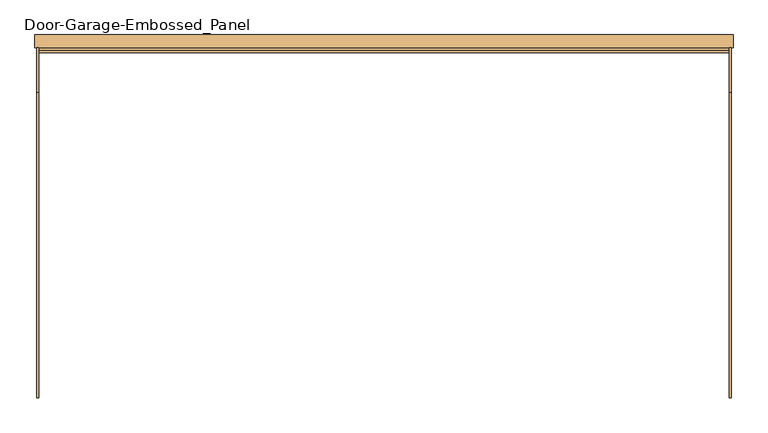
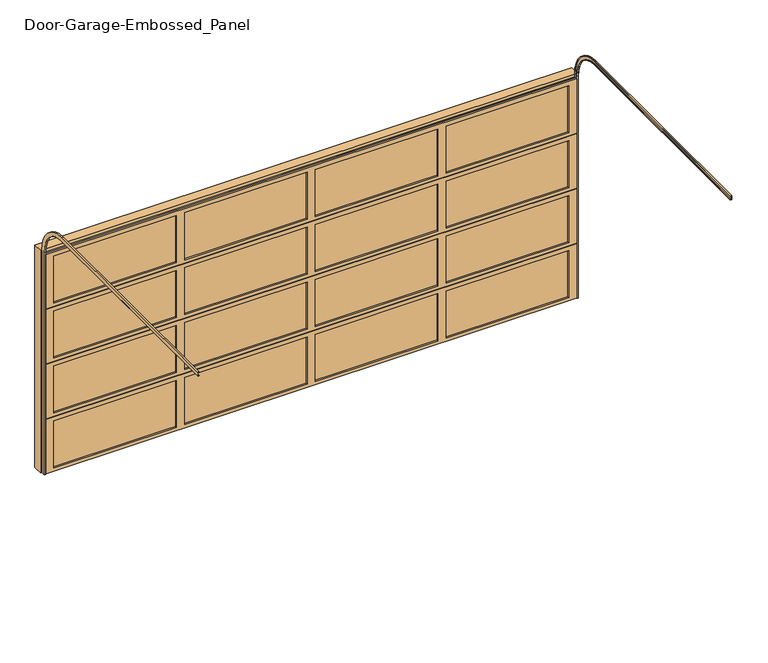
"""IFC4 building model written with IfcOpenShell, lengths in millimetres: door geometry, Door-Garage-Embossed_Panel."""

from ifc_helpers import new_model, si_unit, frame, origin, place, context, project, spatial, polyline, circle_curve, outline, extrude, faceted_brep, source, transform, mapped, element, save
from ifc_brep_helpers import plane_surface, cylinder_surface, revolved_surface, advanced_brep


def door_garage_embossed_panel_2cec025c(model_context):
    return source(origin(), model_context, "Body", "SolidModel", [
        extrude(outline(polyline([(1162.05, -63.5), (1162.05, -69.85), (38.1, -69.85), (38.1, -63.5), (1162.05, -63.5)])), frame((0.0, 0.0, 1638.3), z_axis=(0.0, 0.0, 1.0), x_axis=(1.0, 0.0, 0.0)), (0.0, 0.0, 1.0), 457.2),
        extrude(outline(polyline([(-38.1, -63.5), (-38.1, -69.85), (-1162.05, -69.85), (-1162.05, -63.5), (-38.1, -63.5)])), frame((0.0, 0.0, 1638.3), z_axis=(0.0, 0.0, 1.0), x_axis=(1.0, 0.0, 0.0)), (0.0, 0.0, 1.0), 457.2),
        extrude(outline(polyline([(2362.2, -63.5), (2362.2, -69.85), (1238.25, -69.85), (1238.25, -63.5), (2362.2, -63.5)])), frame((0.0, 0.0, 1638.3), z_axis=(0.0, 0.0, 1.0), x_axis=(1.0, 0.0, 0.0)), (0.0, 0.0, 1.0), 457.2),
        extrude(outline(polyline([(-1238.25, -63.5), (-1238.25, -69.85), (-2362.2, -69.85), (-2362.2, -63.5), (-1238.25, -63.5)])), frame((0.0, 0.0, 1638.3), z_axis=(0.0, 0.0, 1.0), x_axis=(1.0, 0.0, 0.0)), (0.0, 0.0, 1.0), 457.2),
        faceted_brep([(2438.4, -69.85, 2136.775), (2438.4, -85.725, 2136.775), (2438.4, -85.725, 1606.55), (2438.4, -63.5, 1606.55), (2438.4, -63.5, 1600.2), (2438.4, -47.625, 1600.2), (2438.4, -47.625, 2130.425), (2438.4, -69.85, 2130.425), (-2438.4, -85.725, 2136.775), (-2438.4, -69.85, 2136.775), (-2438.4, -69.85, 2130.425), (-2438.4, -47.625, 2130.425), (-2438.4, -47.625, 1600.2), (-2438.4, -63.5, 1600.2), (-2438.4, -63.5, 1606.55), (-2438.4, -85.725, 1606.55), (1238.25, -85.725, 2095.5), (2362.2, -85.725, 2095.5), (2362.2, -85.725, 1638.3), (1238.25, -85.725, 1638.3), (-1162.05, -85.725, 2095.5), (-38.1, -85.725, 2095.5), (-38.1, -85.725, 1638.3), (-1162.05, -85.725, 1638.3), (38.1, -85.725, 2095.5), (1162.05, -85.725, 2095.5), (1162.05, -85.725, 1638.3), (38.1, -85.725, 1638.3), (-2362.2, -85.725, 2095.5), (-1238.25, -85.725, 2095.5), (-1238.25, -85.725, 1638.3), (-2362.2, -85.725, 1638.3), (2362.2, -47.625, 2095.5), (1238.25, -47.625, 2095.5), (1238.25, -47.625, 1638.3), (2362.2, -47.625, 1638.3), (-38.1, -47.625, 2095.5), (-1162.05, -47.625, 2095.5), (-1162.05, -47.625, 1638.3), (-38.1, -47.625, 1638.3), (1162.05, -47.625, 2095.5), (38.1, -47.625, 2095.5), (38.1, -47.625, 1638.3), (1162.05, -47.625, 1638.3), (-1238.25, -47.625, 2095.5), (-2362.2, -47.625, 2095.5), (-2362.2, -47.625, 1638.3), (-1238.25, -47.625, 1638.3)], [[[0, 1, 2, 3, 4, 5, 6, 7]], [[8, 9, 10, 11, 12, 13, 14, 15]], [[1, 0, 9, 8]], [[2, 1, 8, 15], [16, 17, 18, 19], [20, 21, 22, 23], [24, 25, 26, 27], [28, 29, 30, 31]], [[3, 2, 15, 14]], [[4, 3, 14, 13]], [[5, 4, 13, 12]], [[6, 5, 12, 11], [32, 33, 34, 35], [36, 37, 38, 39], [40, 41, 42, 43], [44, 45, 46, 47]], [[7, 6, 11, 10]], [[0, 7, 10, 9]], [[16, 33, 32, 17]], [[33, 16, 19, 34]], [[34, 19, 18, 35]], [[17, 32, 35, 18]], [[20, 37, 36, 21]], [[37, 20, 23, 38]], [[38, 23, 22, 39]], [[21, 36, 39, 22]], [[24, 41, 40, 25]], [[41, 24, 27, 42]], [[42, 27, 26, 43]], [[25, 40, 43, 26]], [[28, 45, 44, 29]], [[45, 28, 31, 46]], [[46, 31, 30, 47]], [[29, 44, 47, 30]]]),
        extrude(outline(polyline([(1162.05, -63.5), (1162.05, -69.85), (38.1, -69.85), (38.1, -63.5), (1162.05, -63.5)])), frame((0.0, 0.0, 1104.9), z_axis=(0.0, 0.0, 1.0), x_axis=(1.0, 0.0, 0.0)), (0.0, 0.0, 1.0), 457.2),
        extrude(outline(polyline([(-38.1, -63.5), (-38.1, -69.85), (-1162.05, -69.85), (-1162.05, -63.5), (-38.1, -63.5)])), frame((0.0, 0.0, 1104.9), z_axis=(0.0, 0.0, 1.0), x_axis=(1.0, 0.0, 0.0)), (0.0, 0.0, 1.0), 457.2),
        extrude(outline(polyline([(2362.2, -63.5), (2362.2, -69.85), (1238.25, -69.85), (1238.25, -63.5), (2362.2, -63.5)])), frame((0.0, 0.0, 1104.9), z_axis=(0.0, 0.0, 1.0), x_axis=(1.0, 0.0, 0.0)), (0.0, 0.0, 1.0), 457.2),
        extrude(outline(polyline([(-1238.25, -63.5), (-1238.25, -69.85), (-2362.2, -69.85), (-2362.2, -63.5), (-1238.25, -63.5)])), frame((0.0, 0.0, 1104.9), z_axis=(0.0, 0.0, 1.0), x_axis=(1.0, 0.0, 0.0)), (0.0, 0.0, 1.0), 457.2),
        faceted_brep([(2438.4, -69.85, 1603.375), (2438.4, -85.725, 1603.375), (2438.4, -85.725, 1073.15), (2438.4, -63.5, 1073.15), (2438.4, -63.5, 1066.8), (2438.4, -47.625, 1066.8), (2438.4, -47.625, 1597.025), (2438.4, -69.85, 1597.025), (-2438.4, -85.725, 1603.375), (-2438.4, -69.85, 1603.375), (-2438.4, -69.85, 1597.025), (-2438.4, -47.625, 1597.025), (-2438.4, -47.625, 1066.8), (-2438.4, -63.5, 1066.8), (-2438.4, -63.5, 1073.15), (-2438.4, -85.725, 1073.15), (1238.25, -85.725, 1562.1), (2362.2, -85.725, 1562.1), (2362.2, -85.725, 1104.9), (1238.25, -85.725, 1104.9), (-1162.05, -85.725, 1562.1), (-38.1, -85.725, 1562.1), (-38.1, -85.725, 1104.9), (-1162.05, -85.725, 1104.9), (38.1, -85.725, 1562.1), (1162.05, -85.725, 1562.1), (1162.05, -85.725, 1104.9), (38.1, -85.725, 1104.9), (-2362.2, -85.725, 1562.1), (-1238.25, -85.725, 1562.1), (-1238.25, -85.725, 1104.9), (-2362.2, -85.725, 1104.9), (2362.2, -47.625, 1562.1), (1238.25, -47.625, 1562.1), (1238.25, -47.625, 1104.9), (2362.2, -47.625, 1104.9), (-38.1, -47.625, 1562.1), (-1162.05, -47.625, 1562.1), (-1162.05, -47.625, 1104.9), (-38.1, -47.625, 1104.9), (1162.05, -47.625, 1562.1), (38.1, -47.625, 1562.1), (38.1, -47.625, 1104.9), (1162.05, -47.625, 1104.9), (-1238.25, -47.625, 1562.1), (-2362.2, -47.625, 1562.1), (-2362.2, -47.625, 1104.9), (-1238.25, -47.625, 1104.9)], [[[0, 1, 2, 3, 4, 5, 6, 7]], [[8, 9, 10, 11, 12, 13, 14, 15]], [[1, 0, 9, 8]], [[2, 1, 8, 15], [16, 17, 18, 19], [20, 21, 22, 23], [24, 25, 26, 27], [28, 29, 30, 31]], [[3, 2, 15, 14]], [[4, 3, 14, 13]], [[5, 4, 13, 12]], [[6, 5, 12, 11], [32, 33, 34, 35], [36, 37, 38, 39], [40, 41, 42, 43], [44, 45, 46, 47]], [[7, 6, 11, 10]], [[0, 7, 10, 9]], [[16, 33, 32, 17]], [[33, 16, 19, 34]], [[34, 19, 18, 35]], [[17, 32, 35, 18]], [[20, 37, 36, 21]], [[37, 20, 23, 38]], [[38, 23, 22, 39]], [[21, 36, 39, 22]], [[24, 41, 40, 25]], [[41, 24, 27, 42]], [[42, 27, 26, 43]], [[25, 40, 43, 26]], [[28, 45, 44, 29]], [[45, 28, 31, 46]], [[46, 31, 30, 47]], [[29, 44, 47, 30]]]),
        extrude(outline(polyline([(1162.05, -63.5), (1162.05, -69.85), (38.1, -69.85), (38.1, -63.5), (1162.05, -63.5)])), frame((0.0, 0.0, 571.5), z_axis=(0.0, 0.0, 1.0), x_axis=(1.0, 0.0, 0.0)), (0.0, 0.0, 1.0), 457.2),
        extrude(outline(polyline([(-38.1, -63.5), (-38.1, -69.85), (-1162.05, -69.85), (-1162.05, -63.5), (-38.1, -63.5)])), frame((0.0, 0.0, 571.5), z_axis=(0.0, 0.0, 1.0), x_axis=(1.0, 0.0, 0.0)), (0.0, 0.0, 1.0), 457.2),
        extrude(outline(polyline([(2362.2, -63.5), (2362.2, -69.85), (1238.25, -69.85), (1238.25, -63.5), (2362.2, -63.5)])), frame((0.0, 0.0, 571.5), z_axis=(0.0, 0.0, 1.0), x_axis=(1.0, 0.0, 0.0)), (0.0, 0.0, 1.0), 457.2),
        extrude(outline(polyline([(-1238.25, -63.5), (-1238.25, -69.85), (-2362.2, -69.85), (-2362.2, -63.5), (-1238.25, -63.5)])), frame((0.0, 0.0, 571.5), z_axis=(0.0, 0.0, 1.0), x_axis=(1.0, 0.0, 0.0)), (0.0, 0.0, 1.0), 457.2),
        faceted_brep([(2438.4, -69.85, 1069.975), (2438.4, -85.725, 1069.975), (2438.4, -85.725, 539.75), (2438.4, -63.5, 539.75), (2438.4, -63.5, 533.4), (2438.4, -47.625, 533.4), (2438.4, -47.625, 1063.625), (2438.4, -69.85, 1063.625), (-2438.4, -85.725, 1069.975), (-2438.4, -69.85, 1069.975), (-2438.4, -69.85, 1063.625), (-2438.4, -47.625, 1063.625), (-2438.4, -47.625, 533.4), (-2438.4, -63.5, 533.4), (-2438.4, -63.5, 539.75), (-2438.4, -85.725, 539.75), (1238.25, -85.725, 1028.7), (2362.2, -85.725, 1028.7), (2362.2, -85.725, 571.5), (1238.25, -85.725, 571.5), (-1162.05, -85.725, 1028.7), (-38.1, -85.725, 1028.7), (-38.1, -85.725, 571.5), (-1162.05, -85.725, 571.5), (38.1, -85.725, 1028.7), (1162.05, -85.725, 1028.7), (1162.05, -85.725, 571.5), (38.1, -85.725, 571.5), (-2362.2, -85.725, 1028.7), (-1238.25, -85.725, 1028.7), (-1238.25, -85.725, 571.5), (-2362.2, -85.725, 571.5), (2362.2, -47.625, 1028.7), (1238.25, -47.625, 1028.7), (1238.25, -47.625, 571.5), (2362.2, -47.625, 571.5), (-38.1, -47.625, 1028.7), (-1162.05, -47.625, 1028.7), (-1162.05, -47.625, 571.5), (-38.1, -47.625, 571.5), (1162.05, -47.625, 1028.7), (38.1, -47.625, 1028.7), (38.1, -47.625, 571.5), (1162.05, -47.625, 571.5), (-1238.25, -47.625, 1028.7), (-2362.2, -47.625, 1028.7), (-2362.2, -47.625, 571.5), (-1238.25, -47.625, 571.5)], [[[0, 1, 2, 3, 4, 5, 6, 7]], [[8, 9, 10, 11, 12, 13, 14, 15]], [[1, 0, 9, 8]], [[2, 1, 8, 15], [16, 17, 18, 19], [20, 21, 22, 23], [24, 25, 26, 27], [28, 29, 30, 31]], [[3, 2, 15, 14]], [[4, 3, 14, 13]], [[5, 4, 13, 12]], [[6, 5, 12, 11], [32, 33, 34, 35], [36, 37, 38, 39], [40, 41, 42, 43], [44, 45, 46, 47]], [[7, 6, 11, 10]], [[0, 7, 10, 9]], [[16, 33, 32, 17]], [[33, 16, 19, 34]], [[34, 19, 18, 35]], [[17, 32, 35, 18]], [[20, 37, 36, 21]], [[37, 20, 23, 38]], [[38, 23, 22, 39]], [[21, 36, 39, 22]], [[24, 41, 40, 25]], [[41, 24, 27, 42]], [[42, 27, 26, 43]], [[25, 40, 43, 26]], [[28, 45, 44, 29]], [[45, 28, 31, 46]], [[46, 31, 30, 47]], [[29, 44, 47, 30]]]),
        extrude(outline(polyline([(1162.05, -63.5), (1162.05, -69.85), (38.1, -69.85), (38.1, -63.5), (1162.05, -63.5)])), frame((0.0, 0.0, 38.1), z_axis=(0.0, 0.0, 1.0), x_axis=(1.0, 0.0, 0.0)), (0.0, 0.0, 1.0), 457.2),
        extrude(outline(polyline([(-38.1, -63.5), (-38.1, -69.85), (-1162.05, -69.85), (-1162.05, -63.5), (-38.1, -63.5)])), frame((0.0, 0.0, 38.1), z_axis=(0.0, 0.0, 1.0), x_axis=(1.0, 0.0, 0.0)), (0.0, 0.0, 1.0), 457.2),
        extrude(outline(polyline([(2362.2, -63.5), (2362.2, -69.85), (1238.25, -69.85), (1238.25, -63.5), (2362.2, -63.5)])), frame((0.0, 0.0, 38.1), z_axis=(0.0, 0.0, 1.0), x_axis=(1.0, 0.0, 0.0)), (0.0, 0.0, 1.0), 457.2),
        extrude(outline(polyline([(-1238.25, -63.5), (-1238.25, -69.85), (-2362.2, -69.85), (-2362.2, -63.5), (-1238.25, -63.5)])), frame((0.0, 0.0, 38.1), z_axis=(0.0, 0.0, 1.0), x_axis=(1.0, 0.0, 0.0)), (0.0, 0.0, 1.0), 457.2),
        faceted_brep([(2438.4, -69.85, 536.575), (2438.4, -85.725, 536.575), (2438.4, -85.725, 6.35), (2438.4, -63.5, 6.35), (2438.4, -63.5, 0.0), (2438.4, -47.625, 0.0), (2438.4, -47.625, 530.225), (2438.4, -69.85, 530.225), (-2438.4, -85.725, 536.575), (-2438.4, -69.85, 536.575), (-2438.4, -69.85, 530.225), (-2438.4, -47.625, 530.225), (-2438.4, -47.625, 0.0), (-2438.4, -63.5, 0.0), (-2438.4, -63.5, 6.35), (-2438.4, -85.725, 6.35), (1238.25, -85.725, 495.3), (2362.2, -85.725, 495.3), (2362.2, -85.725, 38.1), (1238.25, -85.725, 38.1), (-1162.05, -85.725, 495.3), (-38.1, -85.725, 495.3), (-38.1, -85.725, 38.1), (-1162.05, -85.725, 38.1), (38.1, -85.725, 495.3), (1162.05, -85.725, 495.3), (1162.05, -85.725, 38.1), (38.1, -85.725, 38.1), (-2362.2, -85.725, 495.3), (-1238.25, -85.725, 495.3), (-1238.25, -85.725, 38.1), (-2362.2, -85.725, 38.1), (2362.2, -47.625, 495.3), (1238.25, -47.625, 495.3), (1238.25, -47.625, 38.1), (2362.2, -47.625, 38.1), (-38.1, -47.625, 495.3), (-1162.05, -47.625, 495.3), (-1162.05, -47.625, 38.1), (-38.1, -47.625, 38.1), (1162.05, -47.625, 495.3), (38.1, -47.625, 495.3), (38.1, -47.625, 38.1), (1162.05, -47.625, 38.1), (-1238.25, -47.625, 495.3), (-2362.2, -47.625, 495.3), (-2362.2, -47.625, 38.1), (-1238.25, -47.625, 38.1)], [[[0, 1, 2, 3, 4, 5, 6, 7]], [[8, 9, 10, 11, 12, 13, 14, 15]], [[1, 0, 9, 8]], [[2, 1, 8, 15], [16, 17, 18, 19], [20, 21, 22, 23], [24, 25, 26, 27], [28, 29, 30, 31]], [[3, 2, 15, 14]], [[4, 3, 14, 13]], [[5, 4, 13, 12]], [[6, 5, 12, 11], [32, 33, 34, 35], [36, 37, 38, 39], [40, 41, 42, 43], [44, 45, 46, 47]], [[7, 6, 11, 10]], [[0, 7, 10, 9]], [[16, 33, 32, 17]], [[33, 16, 19, 34]], [[34, 19, 18, 35]], [[17, 32, 35, 18]], [[20, 37, 36, 21]], [[37, 20, 23, 38]], [[38, 23, 22, 39]], [[21, 36, 39, 22]], [[24, 41, 40, 25]], [[41, 24, 27, 42]], [[42, 27, 26, 43]], [[25, 40, 43, 26]], [[28, 45, 44, 29]], [[45, 28, 31, 46]], [[46, 31, 30, 47]], [[29, 44, 47, 30]]]),
        advanced_brep(
        [(2451.1, -85.725, 0.0), (2438.4, -85.725, 0.0), (2438.4, -82.55, 0.0), (2447.925, -82.55, 0.0), (2447.925, -50.8, 0.0), (2438.4, -50.8, 0.0), (2438.4, -47.625, 0.0), (2451.1, -47.625, 0.0), (2451.1, -85.725, 2159.0), (2438.4, -85.725, 2159.0), (2438.4, -365.125, 2438.4), (2438.4, -2524.125, 2438.4), (2438.4, -2524.125, 2441.575), (2438.4, -365.125, 2441.575), (2438.4, -82.55, 2159.0), (2447.925, -82.55, 2159.0), (2447.925, -365.125, 2441.575), (2447.925, -2524.125, 2441.575), (2447.925, -2524.125, 2473.325), (2447.925, -365.125, 2473.325), (2447.925, -50.8, 2159.0), (2438.4, -50.8, 2159.0), (2438.4, -365.125, 2473.325), (2438.4, -2524.125, 2473.325), (2438.4, -2524.125, 2476.5), (2438.4, -365.125, 2476.5), (2438.4, -47.625, 2159.0), (2451.1, -47.625, 2159.0), (2451.1, -365.125, 2476.5), (2451.1, -2524.125, 2476.5), (2451.1, -2524.125, 2438.4), (2451.1, -365.125, 2438.4)],
        [
            (0, 1),
            (1, 2),
            (2, 3),
            (3, 4),
            (4, 5),
            (5, 6),
            (6, 7),
            (7, 0),
            (0, 8),
            (8, 9),
            (9, 1),
            (9, 10, circle_curve(frame((2438.4, -365.125, 2159.0), z_axis=(1.0, 0.0, 0.0), x_axis=(0.0, 1.0, 0.0)), 279.4)),
            (10, 11),
            (11, 12),
            (12, 13),
            (13, 14, circle_curve(frame((2438.4, -365.125, 2159.0), z_axis=(-1.0, 0.0, 0.0), x_axis=(0.0, 1.0, 0.0)), 282.575)),
            (14, 2),
            (14, 15),
            (15, 3),
            (15, 16, circle_curve(frame((2447.925, -365.125, 2159.0), z_axis=(1.0, 0.0, 0.0), x_axis=(0.0, 1.0, 0.0)), 282.575)),
            (16, 17),
            (17, 18),
            (18, 19),
            (19, 20, circle_curve(frame((2447.925, -365.125, 2159.0), z_axis=(-1.0, 0.0, 0.0), x_axis=(0.0, 1.0, 0.0)), 314.325)),
            (20, 4),
            (20, 21),
            (21, 5),
            (21, 22, circle_curve(frame((2438.4, -365.125, 2159.0), z_axis=(1.0, 0.0, 0.0), x_axis=(0.0, 1.0, 0.0)), 314.325)),
            (22, 23),
            (23, 24),
            (24, 25),
            (25, 26, circle_curve(frame((2438.4, -365.125, 2159.0), z_axis=(-1.0, 0.0, 0.0), x_axis=(0.0, 1.0, 0.0)), 317.5)),
            (26, 6),
            (26, 27),
            (27, 7),
            (27, 28, circle_curve(frame((2451.1, -365.125, 2159.0), z_axis=(1.0, 0.0, 0.0), x_axis=(0.0, 1.0, 0.0)), 317.5)),
            (28, 29),
            (29, 30),
            (30, 31),
            (31, 8, circle_curve(frame((2451.1, -365.125, 2159.0), z_axis=(-1.0, 0.0, 0.0), x_axis=(0.0, 1.0, 0.0)), 279.4)),
            (31, 10),
            (13, 16),
            (19, 22),
            (25, 28),
            (29, 24),
            (23, 18),
            (17, 12),
            (11, 30),
        ],
        [
            plane_surface(frame((0.0, -85.725, 0.0), z_axis=(0.0, 0.0, -1.0), x_axis=(1.0, 0.0, 0.0))),
            plane_surface(frame((2451.1, -85.725, 0.0), z_axis=(0.0, -1.0, 0.0), x_axis=(0.0, 0.0, 1.0))),
            plane_surface(frame((2438.4, -85.725, 0.0), z_axis=(-1.0, 0.0, 0.0), x_axis=(0.0, 0.0, 1.0))),
            plane_surface(frame((2438.4, -82.55, 0.0), z_axis=(0.0, 1.0, 0.0), x_axis=(0.0, 0.0, 1.0))),
            plane_surface(frame((2447.925, -82.55, 0.0), z_axis=(-1.0, 0.0, 0.0), x_axis=(0.0, 0.0, 1.0))),
            plane_surface(frame((2447.925, -50.8, 0.0), z_axis=(0.0, -1.0, 0.0), x_axis=(0.0, 0.0, 1.0))),
            plane_surface(frame((2438.4, -50.8, 0.0), z_axis=(-1.0, 0.0, 0.0), x_axis=(0.0, 0.0, 1.0))),
            plane_surface(frame((2438.4, -47.625, 0.0), z_axis=(0.0, 1.0, 0.0), x_axis=(0.0, 0.0, 1.0))),
            plane_surface(frame((2451.1, -47.625, 0.0), z_axis=(1.0, 0.0, 0.0), x_axis=(0.0, 0.0, 1.0))),
            revolved_surface(polyline([(2451.1, -85.72500000000002, 2159.0), (2438.4, -85.72500000000002, 2159.0)]), (0.0, -365.125, 2159.0), (1.0, 0.0, 0.0)),
            cylinder_surface(frame((0.0, -365.125, 2159.0), z_axis=(1.0, 0.0, 0.0), x_axis=(0.0, 1.0, 0.0)), 282.575),
            revolved_surface(polyline([(2447.925, -50.80000000000001, 2159.0), (2438.4, -50.80000000000001, 2159.0)]), (0.0, -365.125, 2159.0), (1.0, 0.0, 0.0)),
            cylinder_surface(frame((0.0, -365.125, 2159.0), z_axis=(1.0, 0.0, 0.0), x_axis=(0.0, 1.0, 0.0)), 317.5),
            plane_surface(frame((0.0, -2524.125, 2438.4), z_axis=(0.0, -1.0, 0.0), x_axis=(1.0, 0.0, 0.0))),
            plane_surface(frame((2451.1, -365.125, 2438.4), z_axis=(0.0, 0.0, -1.0), x_axis=(0.0, -1.0, 0.0))),
            plane_surface(frame((2438.4, -365.125, 2441.575), z_axis=(0.0, 0.0, 1.0), x_axis=(0.0, -1.0, 0.0))),
            plane_surface(frame((2447.925, -365.125, 2473.325), z_axis=(0.0, 0.0, -1.0), x_axis=(0.0, -1.0, 0.0))),
            plane_surface(frame((2438.4, -365.125, 2476.5), z_axis=(0.0, 0.0, 1.0), x_axis=(0.0, -1.0, 0.0))),
        ],
        [
            (0, [[1, 2, 3, 4, 5, 6, 7, 8]]),
            (1, [[-1, 9, 10, 11]]),
            (2, [[-2, -11, 12, 13, 14, 15, 16, 17]]),
            (3, [[-3, -17, 18, 19]]),
            (4, [[-4, -19, 20, 21, 22, 23, 24, 25]]),
            (5, [[-5, -25, 26, 27]]),
            (6, [[-6, -27, 28, 29, 30, 31, 32, 33]]),
            (7, [[-7, -33, 34, 35]]),
            (8, [[-8, -35, 36, 37, 38, 39, 40, -9]]),
            (9, [[-12, -10, -40, 41]]),
            (10, [[-20, -18, -16, 42]]),
            (11, [[-28, -26, -24, 43]]),
            (12, [[-36, -34, -32, 44]]),
            (13, [[-38, 45, -30, 46, -22, 47, -14, 48]]),
            (14, [[-41, -39, -48, -13]]),
            (15, [[-42, -15, -47, -21]]),
            (16, [[-43, -23, -46, -29]]),
            (17, [[-44, -31, -45, -37]]),
        ],
    ),
        advanced_brep(
        [(-2451.1, -85.725, 0.0), (-2451.1, -47.625, 0.0), (-2438.4, -47.625, 0.0), (-2438.4, -50.8, 0.0), (-2447.925, -50.8, 0.0), (-2447.925, -82.55, 0.0), (-2438.4, -82.55, 0.0), (-2438.4, -85.725, 0.0), (-2451.1, -85.725, 2159.0), (-2451.1, -365.125, 2438.4), (-2451.1, -2524.125, 2438.4), (-2451.1, -2524.125, 2476.5), (-2451.1, -365.125, 2476.5), (-2451.1, -47.625, 2159.0), (-2438.4, -47.625, 2159.0), (-2438.4, -365.125, 2476.5), (-2438.4, -2524.125, 2476.5), (-2438.4, -2524.125, 2473.325), (-2438.4, -365.125, 2473.325), (-2438.4, -50.8, 2159.0), (-2447.925, -50.8, 2159.0), (-2447.925, -365.125, 2473.325), (-2447.925, -2524.125, 2473.325), (-2447.925, -2524.125, 2441.575), (-2447.925, -365.125, 2441.575), (-2447.925, -82.55, 2159.0), (-2438.4, -82.55, 2159.0), (-2438.4, -365.125, 2441.575), (-2438.4, -2524.125, 2441.575), (-2438.4, -2524.125, 2438.4), (-2438.4, -365.125, 2438.4), (-2438.4, -85.725, 2159.0)],
        [
            (0, 1),
            (1, 2),
            (2, 3),
            (3, 4),
            (4, 5),
            (5, 6),
            (6, 7),
            (7, 0),
            (0, 8),
            (8, 9, circle_curve(frame((-2451.1, -365.125, 2159.0), z_axis=(1.0, 0.0, 0.0), x_axis=(0.0, 1.0, 0.0)), 279.4)),
            (9, 10),
            (10, 11),
            (11, 12),
            (12, 13, circle_curve(frame((-2451.1, -365.125, 2159.0), z_axis=(-1.0, 0.0, 0.0), x_axis=(0.0, 1.0, 0.0)), 317.5)),
            (13, 1),
            (13, 14),
            (14, 2),
            (14, 15, circle_curve(frame((-2438.4, -365.125, 2159.0), z_axis=(1.0, 0.0, 0.0), x_axis=(0.0, 1.0, 0.0)), 317.5)),
            (15, 16),
            (16, 17),
            (17, 18),
            (18, 19, circle_curve(frame((-2438.4, -365.125, 2159.0), z_axis=(-1.0, 0.0, 0.0), x_axis=(0.0, 1.0, 0.0)), 314.325)),
            (19, 3),
            (19, 20),
            (20, 4),
            (20, 21, circle_curve(frame((-2447.925, -365.125, 2159.0), z_axis=(1.0, 0.0, 0.0), x_axis=(0.0, 1.0, 0.0)), 314.325)),
            (21, 22),
            (22, 23),
            (23, 24),
            (24, 25, circle_curve(frame((-2447.925, -365.125, 2159.0), z_axis=(-1.0, 0.0, 0.0), x_axis=(0.0, 1.0, 0.0)), 282.575)),
            (25, 5),
            (25, 26),
            (26, 6),
            (26, 27, circle_curve(frame((-2438.4, -365.125, 2159.0), z_axis=(1.0, 0.0, 0.0), x_axis=(0.0, 1.0, 0.0)), 282.575)),
            (27, 28),
            (28, 29),
            (29, 30),
            (30, 31, circle_curve(frame((-2438.4, -365.125, 2159.0), z_axis=(-1.0, 0.0, 0.0), x_axis=(0.0, 1.0, 0.0)), 279.4)),
            (31, 7),
            (31, 8),
            (12, 15),
            (18, 21),
            (24, 27),
            (30, 9),
            (10, 29),
            (28, 23),
            (22, 17),
            (16, 11),
        ],
        [
            plane_surface(frame((0.0, -85.725, 0.0), z_axis=(0.0, 0.0, -1.0), x_axis=(1.0, 0.0, 0.0))),
            plane_surface(frame((-2451.1, -85.725, 0.0), z_axis=(-1.0, 0.0, 0.0), x_axis=(0.0, 0.0, 1.0))),
            plane_surface(frame((-2451.1, -47.625, 0.0), z_axis=(0.0, 1.0, 0.0), x_axis=(0.0, 0.0, 1.0))),
            plane_surface(frame((-2438.4, -47.625, 0.0), z_axis=(1.0, 0.0, 0.0), x_axis=(0.0, 0.0, 1.0))),
            plane_surface(frame((-2438.4, -50.8, 0.0), z_axis=(0.0, -1.0, 0.0), x_axis=(0.0, 0.0, 1.0))),
            plane_surface(frame((-2447.925, -50.8, 0.0), z_axis=(1.0, 0.0, 0.0), x_axis=(0.0, 0.0, 1.0))),
            plane_surface(frame((-2447.925, -82.55, 0.0), z_axis=(0.0, 1.0, 0.0), x_axis=(0.0, 0.0, 1.0))),
            plane_surface(frame((-2438.4, -82.55, 0.0), z_axis=(1.0, 0.0, 0.0), x_axis=(0.0, 0.0, 1.0))),
            plane_surface(frame((-2438.4, -85.725, 0.0), z_axis=(0.0, -1.0, 0.0), x_axis=(0.0, 0.0, 1.0))),
            cylinder_surface(frame((0.0, -365.125, 2159.0), z_axis=(1.0, 0.0, 0.0), x_axis=(0.0, 1.0, 0.0)), 317.5),
            revolved_surface(polyline([(-2438.4, -50.80000000000001, 2159.0), (-2447.925, -50.80000000000001, 2159.0)]), (0.0, -365.125, 2159.0), (1.0, 0.0, 0.0)),
            cylinder_surface(frame((0.0, -365.125, 2159.0), z_axis=(1.0, 0.0, 0.0), x_axis=(0.0, 1.0, 0.0)), 282.575),
            revolved_surface(polyline([(-2438.4, -85.72500000000002, 2159.0), (-2451.1, -85.72500000000002, 2159.0)]), (0.0, -365.125, 2159.0), (1.0, 0.0, 0.0)),
            plane_surface(frame((0.0, -2524.125, 2438.4), z_axis=(0.0, -1.0, 0.0), x_axis=(1.0, 0.0, 0.0))),
            plane_surface(frame((-2451.1, -365.125, 2476.5), z_axis=(0.0, 0.0, 1.0), x_axis=(0.0, -1.0, 0.0))),
            plane_surface(frame((-2438.4, -365.125, 2473.325), z_axis=(0.0, 0.0, -1.0), x_axis=(0.0, -1.0, 0.0))),
            plane_surface(frame((-2447.925, -365.125, 2441.575), z_axis=(0.0, 0.0, 1.0), x_axis=(0.0, -1.0, 0.0))),
            plane_surface(frame((-2438.4, -365.125, 2438.4), z_axis=(0.0, 0.0, -1.0), x_axis=(0.0, -1.0, 0.0))),
        ],
        [
            (0, [[1, 2, 3, 4, 5, 6, 7, 8]]),
            (1, [[-1, 9, 10, 11, 12, 13, 14, 15]]),
            (2, [[-2, -15, 16, 17]]),
            (3, [[-3, -17, 18, 19, 20, 21, 22, 23]]),
            (4, [[-4, -23, 24, 25]]),
            (5, [[-5, -25, 26, 27, 28, 29, 30, 31]]),
            (6, [[-6, -31, 32, 33]]),
            (7, [[-7, -33, 34, 35, 36, 37, 38, 39]]),
            (8, [[-8, -39, 40, -9]]),
            (9, [[-18, -16, -14, 41]]),
            (10, [[-26, -24, -22, 42]]),
            (11, [[-34, -32, -30, 43]]),
            (12, [[-10, -40, -38, 44]]),
            (13, [[45, -36, 46, -28, 47, -20, 48, -12]]),
            (14, [[-41, -13, -48, -19]]),
            (15, [[-42, -21, -47, -27]]),
            (16, [[-43, -29, -46, -35]]),
            (17, [[-44, -37, -45, -11]]),
        ],
    ),
        extrude(outline(polyline([(0.0, 2438.4), (0.0, 2463.8), (2159.0, 2463.8), (2159.0, -2463.8), (0.0, -2463.8), (0.0, -2438.4), (2133.6, -2438.4), (2133.6, 2438.4), (0.0, 2438.4)])), frame((0.0, -47.625, 0.0), z_axis=(0.0, 1.0, 0.0), x_axis=(0.0, 0.0, 1.0)), (0.0, 0.0, 1.0), 88.9),
    ])


if __name__ == "__main__":
    model = new_model("IFC4")
    model_context = context("Model", 3, world=origin())
    ifc_project = project(units=[si_unit("LENGTHUNIT", "METRE", prefix="MILLI")], contexts=[model_context])
    site = spatial("IfcSite", under=ifc_project)
    building = spatial("IfcBuilding", under=site)
    placement = place(None, origin())
    door_garage_embossed_panel_shape = door_garage_embossed_panel_2cec025c(model_context)
    element("IfcDoor", 1, ObjectType="Door-Garage-Embossed_Panel", at=placement, inside=building, context=model_context, shape_type="MappedRepresentation", body=[
        mapped(door_garage_embossed_panel_shape, transform((0.0, 0.0, 0.0), x_axis=(1.0, 0.0, 0.0), y_axis=(0.0, 1.0, 0.0), z_axis=(0.0, 0.0, 1.0))),
    ])
    save(model, "model.ifc")
